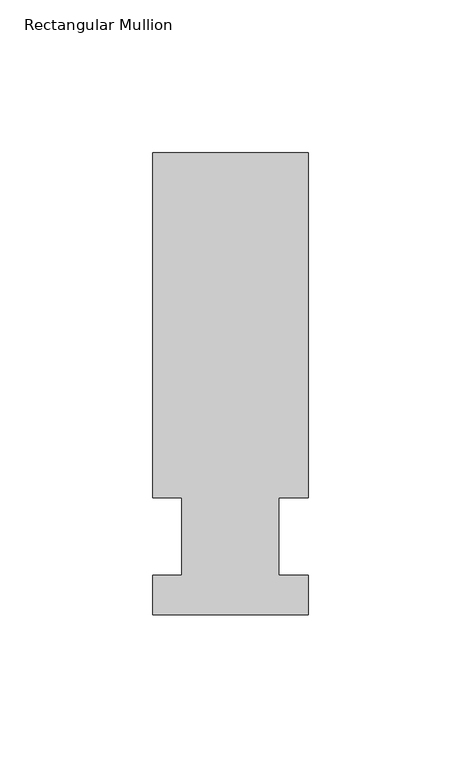
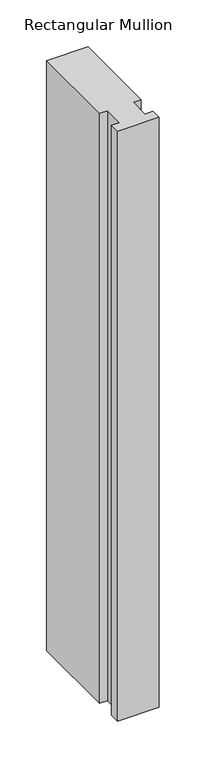
"""IFC4 building model written with IfcOpenShell, lengths in millimetres: member geometry, Rectangular Mullion."""

import ifcopenshell
import ifcopenshell.guid

model = None  # the IFC model being written
_history = None  # IfcOwnerHistory: only IFC2X3 demands one
_inside = {}  # id of a spatial element -> (the spatial element, [elements in it])
_under = {}  # id of a project, library or spatial element -> (it, [spatial elements below it])
_declared = {}  # id of a project -> (the project, [libraries it declares])
_typed = {}  # id of a type object -> (the type object, [elements of that type])
_made_of = {}  # id of a material, layer set ... -> (it, [elements and type objects made of it])


def new_model(schema):
    """Start an empty IFC model of exactly this schema.

    Asked for "IFC4X3", IfcOpenShell would pick the latest addendum, in which some entities
    have other attributes; the version numbers below select the first issue.
    IFC2X3 requires an IfcOwnerHistory on every rooted entity: one is made here for all.
    """
    global model, _history
    if schema == "IFC4X3":
        model = ifcopenshell.file(schema_version=(4, 3, 0, 0))
    else:
        model = ifcopenshell.file(schema=schema)
    _inside.clear()
    _under.clear()
    _declared.clear()
    _typed.clear()
    _made_of.clear()
    _history = None
    if model.schema == "IFC2X3":
        org = make("IfcOrganization", Name="unknown")
        user = make(
            "IfcPersonAndOrganization",
            ThePerson=make("IfcPerson", FamilyName="unknown"),
            TheOrganization=org,
        )
        app = make(
            "IfcApplication",
            ApplicationDeveloper=org,
            Version="unknown",
            ApplicationFullName="unknown",
            ApplicationIdentifier="unknown",
        )
        _history = make(
            "IfcOwnerHistory",
            OwningUser=user,
            OwningApplication=app,
            ChangeAction="ADDED",
            CreationDate=0,
        )
    return model


def make(cls, **values):
    """One entity of the class cls with the attributes given. An attribute that is None is left unset."""
    return model.create_entity(
        cls, **{name: value for name, value in values.items() if value is not None}
    )


def rooted(cls, **values):
    """An entity with a GlobalId (a new one), such as an element, a storey or a relation."""
    return make(cls, GlobalId=ifcopenshell.guid.new(), OwnerHistory=_history, **values)


def si_unit(unit_type, name, prefix=None):
    """IfcSIUnit, for example si_unit("LENGTHUNIT", "METRE", prefix="MILLI")."""
    return make("IfcSIUnit", UnitType=unit_type, Prefix=prefix, Name=name)


def assignment(units):
    """IfcUnitAssignment: the units of a project."""
    return None if units is None else make("IfcUnitAssignment", Units=units)


def point(xyz):
    """IfcCartesianPoint."""
    return None if xyz is None else make("IfcCartesianPoint", Coordinates=xyz)


def direction(xyz):
    """IfcDirection."""
    return None if xyz is None else make("IfcDirection", DirectionRatios=xyz)


def frame(location, z_axis=None, x_axis=None):
    """IfcAxis2Placement3D, a coordinate frame: its origin and axes. An axis left out is left unset."""
    return make(
        "IfcAxis2Placement3D",
        Location=point(location),
        Axis=direction(z_axis),
        RefDirection=direction(x_axis),
    )


def origin():
    """The frame at (0, 0, 0) with its axes left unset."""
    return frame((0.0, 0.0, 0.0))


def place(relative_to, where):
    """IfcLocalPlacement: puts the frame where relative to a parent placement (None: the world)."""
    return make(
        "IfcLocalPlacement", PlacementRelTo=relative_to, RelativePlacement=where
    )


def context(
    kind, dimensions, precision=None, world=None, true_north=None, identifier=None
):
    """IfcGeometricRepresentationContext, for example the 3D "Model" context."""
    return make(
        "IfcGeometricRepresentationContext",
        ContextIdentifier=identifier,
        ContextType=kind,
        CoordinateSpaceDimension=dimensions,
        Precision=precision,
        WorldCoordinateSystem=world,
        TrueNorth=true_north,
    )


def project(units=None, contexts=None):
    """IfcProject with its units and contexts."""
    return rooted(
        "IfcProject",
        Name="project",
        RepresentationContexts=contexts,
        UnitsInContext=assignment(units),
    )


def spatial(cls, under=None, at=None, **own):
    """A site, building, storey or space (cls), placed at a placement, below another one or the project."""
    s = rooted(cls, ObjectPlacement=at, **own)
    if under is not None:
        _under.setdefault(under.id(), (under, []))[1].append(s)
    return s


def polyline(points):
    """IfcPolyline through the points."""
    return make("IfcPolyline", Points=[point(p) for p in points])


def outline(outer, holes=None, kind="AREA"):
    """IfcArbitraryClosedProfileDef: a profile drawn as a closed curve; with holes, ...WithVoids."""
    if holes is None:
        return make("IfcArbitraryClosedProfileDef", ProfileType=kind, OuterCurve=outer)
    return make(
        "IfcArbitraryProfileDefWithVoids",
        ProfileType=kind,
        OuterCurve=outer,
        InnerCurves=holes,
    )


def extrude(swept, where, along, depth):
    """IfcExtrudedAreaSolid: the profile swept, set in the frame where, extruded along a direction by depth."""
    return make(
        "IfcExtrudedAreaSolid",
        SweptArea=swept,
        Position=where,
        ExtrudedDirection=direction(along),
        Depth=depth,
    )


def shape(context_of_items, identifier, shape_type, items):
    """IfcShapeRepresentation: the items that make up one representation, for example the "Body"."""
    return make(
        "IfcShapeRepresentation",
        ContextOfItems=context_of_items,
        RepresentationIdentifier=identifier,
        RepresentationType=shape_type,
        Items=items,
    )


def source(mapping_origin, context_of_items, identifier, shape_type, items):
    """IfcRepresentationMap: a shape defined once, which mapped items show again and again."""
    return make(
        "IfcRepresentationMap",
        MappingOrigin=mapping_origin,
        MappedRepresentation=shape(context_of_items, identifier, shape_type, items),
    )


def transform(
    local_origin,
    x_axis=None,
    y_axis=None,
    z_axis=None,
    scale=None,
    scale2=None,
    scale3=None,
    uniform=True,
):
    """IfcCartesianTransformationOperator3D, or its non-uniform kind. x_axis, y_axis, z_axis: its Axis1, 2, 3."""
    if uniform:
        return make(
            "IfcCartesianTransformationOperator3D",
            Axis1=direction(x_axis),
            Axis2=direction(y_axis),
            LocalOrigin=point(local_origin),
            Scale=scale,
            Axis3=direction(z_axis),
        )
    return make(
        "IfcCartesianTransformationOperator3DnonUniform",
        Axis1=direction(x_axis),
        Axis2=direction(y_axis),
        LocalOrigin=point(local_origin),
        Scale=scale,
        Axis3=direction(z_axis),
        Scale2=scale2,
        Scale3=scale3,
    )


def mapped(mapping_source, mapping_target):
    """IfcMappedItem: shows the shape of a source again, moved by a transform."""
    return make(
        "IfcMappedItem", MappingSource=mapping_source, MappingTarget=mapping_target
    )


def made_of(thing, what):
    """Note that an element or type object is made of a material, layer set ...; save() writes the relation."""
    if what is not None:
        _made_of.setdefault(what.id(), (what, []))[1].append(thing)
    return thing


def element(
    cls,
    number,
    at=None,
    inside=None,
    cuts=None,
    type_object=None,
    material=None,
    context=None,
    identifier="Body",
    shape_type=None,
    held_by="IfcProductDefinitionShape",
    body=None,
    shapes=None,
    **own,
):
    """One element of the class cls, such as IfcWall. Its Tag is "e" and its number.

    at: its placement. inside: the storey or other place that contains it. cuts: it is an
    opening in that element (IfcRelVoidsElement). A single representation is given by context,
    identifier, shape_type and body (its items); several are given by shapes. held_by: the class
    of the entity that holds the representations. save() writes the other relations.
    """
    e = rooted(cls, Tag="e%d" % number, ObjectPlacement=at, **own)
    if body is not None:
        shapes = [shape(context, identifier, shape_type, body)]
    if shapes is not None:
        e.Representation = make(held_by, Representations=shapes)
    if inside is not None:
        _inside.setdefault(inside.id(), (inside, []))[1].append(e)
    if cuts is not None:
        rooted(
            "IfcRelVoidsElement", RelatingBuildingElement=cuts, RelatedOpeningElement=e
        )
    if type_object is not None:
        _typed.setdefault(type_object.id(), (type_object, []))[1].append(e)
    return made_of(e, material)


def aggregate(whole, parts):
    """IfcRelAggregates: a whole, such as a stair, and the parts it consists of."""
    return rooted("IfcRelAggregates", RelatingObject=whole, RelatedObjects=parts)


def save(model, path):
    """Write the relations noted so far, then the file.

    IfcRelAggregates (storeys below a building ...), IfcRelContainedInSpatialStructure (elements
    in a storey), IfcRelDefinesByType, IfcRelAssociatesMaterial and IfcRelDeclares: one each for
    every whole, place, type object, material and project.
    """
    for whole, parts in _under.values():
        aggregate(whole, parts)
    for where, things in _inside.values():
        rooted(
            "IfcRelContainedInSpatialStructure",
            RelatedElements=things,
            RelatingStructure=where,
        )
    for kind, things in _typed.values():
        rooted("IfcRelDefinesByType", RelatedObjects=things, RelatingType=kind)
    for what, things in _made_of.values():
        rooted("IfcRelAssociatesMaterial", RelatedObjects=things, RelatingMaterial=what)
    for by, libraries in _declared.values():
        rooted("IfcRelDeclares", RelatingContext=by, RelatedDefinitions=libraries)
    model.write(path)


def rectangular_mullion_aae74c46(model_context):
    return source(origin(), model_context, "Body", "SweptSolid", [
        extrude(outline(polyline([(-25.4, -25.5984375), (-25.4, -12.7), (-15.875, -12.7), (-15.875, 12.7), (-25.4, 12.7), (-25.4, 125.6109375), (25.4, 125.6109375), (25.4, 12.7), (15.875, 12.7), (15.875, -12.7), (25.4, -12.7), (25.4, -25.5984375), (-25.4, -25.5984375)])), frame((0.0, 0.0, -766.7565839), z_axis=(0.0, 0.0, 1.0), x_axis=(1.0, 0.0, 0.0)), (0.0, 0.0, 1.0), 766.7565839),
    ])


if __name__ == "__main__":
    model = new_model("IFC4")
    model_context = context("Model", 3, world=origin())
    ifc_project = project(units=[si_unit("LENGTHUNIT", "METRE", prefix="MILLI")], contexts=[model_context])
    site = spatial("IfcSite", under=ifc_project)
    building = spatial("IfcBuilding", under=site)
    placement = place(None, origin())
    rectangular_mullion_shape = rectangular_mullion_aae74c46(model_context)
    element("IfcMember", 1, ObjectType="Rectangular Mullion", at=placement, inside=building, context=model_context, shape_type="MappedRepresentation", body=[
        mapped(rectangular_mullion_shape, transform((0.0, 0.0, 0.0), x_axis=(1.0, 0.0, 0.0), y_axis=(0.0, 1.0, 0.0), z_axis=(0.0, 0.0, 1.0))),
    ])
    save(model, "model.ifc")
